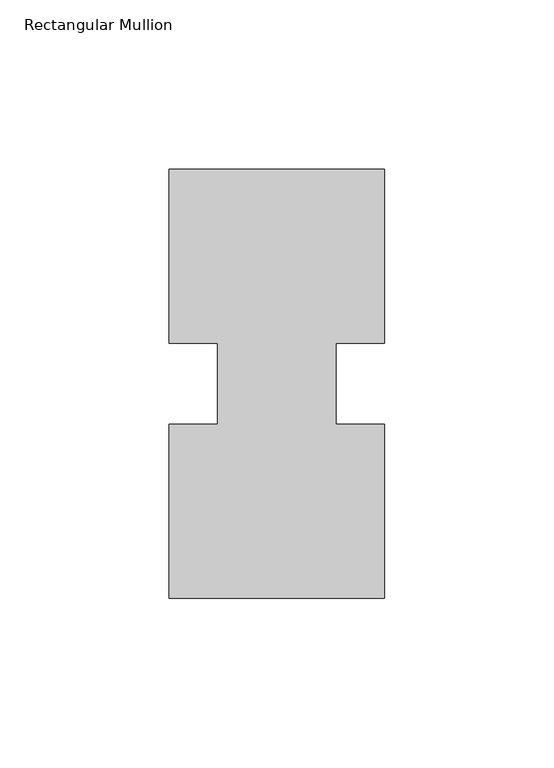
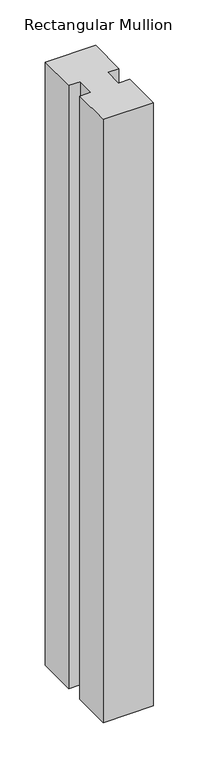
"""IFC4 building model written with IfcOpenShell, lengths in millimetres: member geometry, Rectangular Mullion."""

from ifc_helpers import new_model, si_unit, frame, origin, place, context, project, spatial, polyline, outline, extrude, source, transform, mapped, element, save


def rectangular_mullion_25a2347c(model_context):
    return source(origin(), model_context, "Body", "SweptSolid", [
        extrude(outline(polyline([(-63.5, 0.26035), (-63.5, 51.60645), (-49.2125, 51.60645), (-49.2125, 75.40625), (-63.5, 75.40625), (-63.5, 126.75235), (0.0, 126.75235), (0.0, 75.40625), (-14.2748, 75.40625), (-14.2748, 51.60645), (0.0, 51.60645), (0.0, 0.26035), (-63.5, 0.26035)])), frame((0.0, 0.0, -809.6247287), z_axis=(0.0, 0.0, 1.0), x_axis=(1.0, 0.0, 0.0)), (0.0, 0.0, 1.0), 809.6247287),
    ])


if __name__ == "__main__":
    model = new_model("IFC4")
    model_context = context("Model", 3, world=origin())
    ifc_project = project(units=[si_unit("LENGTHUNIT", "METRE", prefix="MILLI")], contexts=[model_context])
    site = spatial("IfcSite", under=ifc_project)
    building = spatial("IfcBuilding", under=site)
    placement = place(None, origin())
    rectangular_mullion_shape = rectangular_mullion_25a2347c(model_context)
    element("IfcMember", 1, ObjectType="Rectangular Mullion", at=placement, inside=building, context=model_context, shape_type="MappedRepresentation", body=[
        mapped(rectangular_mullion_shape, transform((0.0, 0.0, 0.0), x_axis=(1.0, 0.0, 0.0), y_axis=(0.0, 1.0, 0.0), z_axis=(0.0, 0.0, 1.0))),
    ])
    save(model, "model.ifc")
